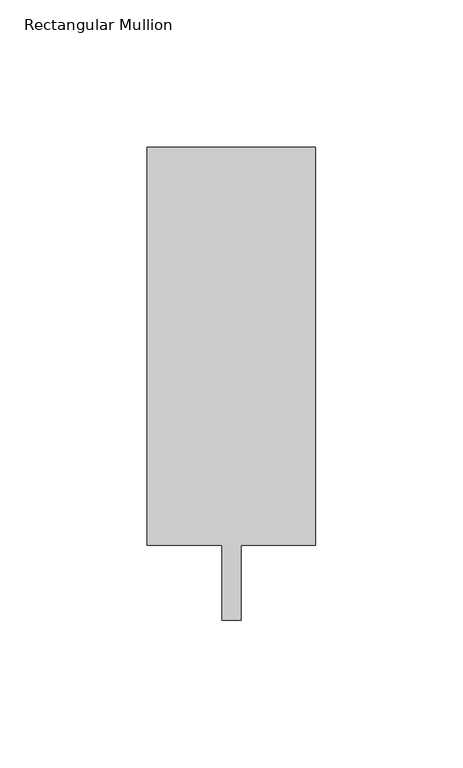
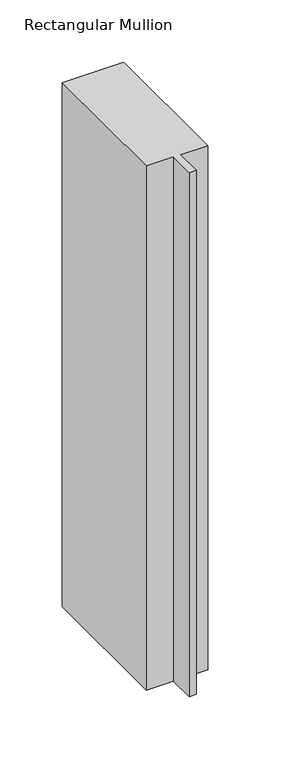
"""IFC4 building model written with IfcOpenShell, lengths in millimetres: member geometry, Rectangular Mullion."""

from ifc_helpers import new_model, si_unit, frame, origin, place, context, project, spatial, polyline, outline, extrude, source, transform, mapped, element, save


def rectangular_mullion_96035f9a(model_context):
    return source(origin(), model_context, "Body", "SweptSolid", [
        extrude(outline(polyline([(28.575, 147.6375), (28.575, 12.7), (3.175, 12.7), (3.175, -12.7), (-3.175, -12.7), (-3.175, 12.7), (-28.575, 12.7), (-28.575, 147.6375), (28.575, 147.6375)])), frame((0.0, 0.0, -514.35), z_axis=(0.0, 0.0, 1.0), x_axis=(1.0, 0.0, 0.0)), (0.0, 0.0, 1.0), 514.35),
    ])


if __name__ == "__main__":
    model = new_model("IFC4")
    model_context = context("Model", 3, world=origin())
    ifc_project = project(units=[si_unit("LENGTHUNIT", "METRE", prefix="MILLI")], contexts=[model_context])
    site = spatial("IfcSite", under=ifc_project)
    building = spatial("IfcBuilding", under=site)
    placement = place(None, origin())
    rectangular_mullion_shape = rectangular_mullion_96035f9a(model_context)
    element("IfcMember", 1, ObjectType="Rectangular Mullion", at=placement, inside=building, context=model_context, shape_type="MappedRepresentation", body=[
        mapped(rectangular_mullion_shape, transform((0.0, 0.0, 0.0), x_axis=(1.0, 0.0, 0.0), y_axis=(0.0, 1.0, 0.0), z_axis=(0.0, 0.0, 1.0))),
    ])
    save(model, "model.ifc")
